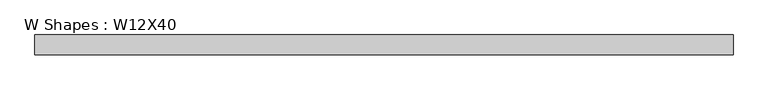
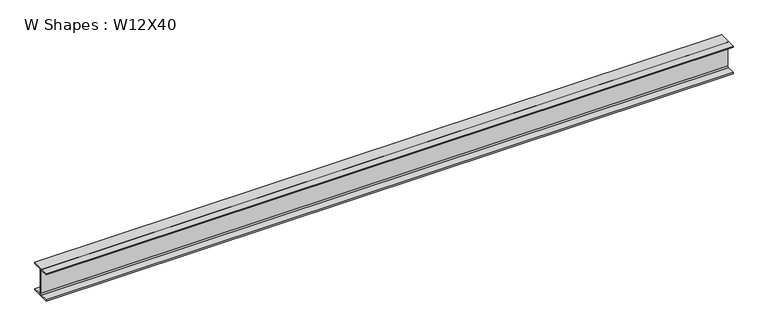
"""IFC4 building model written with IfcOpenShell, lengths in millimetres: beam geometry, W Shapes : W12X40."""

from ifc_helpers import new_model, si_unit, point, frame, frame_2d, origin, place, context, project, spatial, polyline, circle_curve, trimmed, segment, composite_curve, outline, extrude, source, transform, mapped, element, save


def w_shapes_w12x40_73706c52(model_context):
    return source(origin(), model_context, "Body", "SweptSolid", [
        extrude(outline(composite_curve([segment(polyline([(101.727, -138.049), (101.727, -151.13), (-101.727, -151.13), (-101.727, -138.049), (-16.5735, -138.049)]), True, "CONTINUOUS"), segment(trimmed(circle_curve(frame_2d((-16.5735, -125.222)), 12.827), [point((-16.5735, -138.049))], [point((-3.7465, -125.222))], True, "CARTESIAN"), True, "CONTINUOUS"), segment(polyline([(-3.7465, -125.222), (-3.7465, 125.222)]), True, "CONTINUOUS"), segment(trimmed(circle_curve(frame_2d((-16.5735, 125.222)), 12.827), [point((-3.7465, 125.222))], [point((-16.5735, 138.049))], True, "CARTESIAN"), True, "CONTINUOUS"), segment(polyline([(-16.5735, 138.049), (-101.727, 138.049), (-101.727, 151.13), (101.727, 151.13), (101.727, 138.049), (16.5735, 138.049)]), True, "CONTINUOUS"), segment(trimmed(circle_curve(frame_2d((16.5735, 125.222)), 12.827), [point((16.5735, 138.049))], [point((3.7465, 125.222))], True, "CARTESIAN"), True, "CONTINUOUS"), segment(polyline([(3.7465, 125.222), (3.7465, -125.222)]), True, "CONTINUOUS"), segment(trimmed(circle_curve(frame_2d((16.5735, -125.222)), 12.827), [point((3.7465, -125.222))], [point((16.5735, -138.049))], True, "CARTESIAN"), True, "CONTINUOUS"), segment(polyline([(16.5735, -138.049), (101.727, -138.049)]), True, "CONTINUOUS")], self_intersect=False)), frame((-3530.5999994, 0.0, 0.0), z_axis=(1.0, 0.0, 0.0), x_axis=(0.0, 1.0, 0.0)), (0.0, 0.0, 1.0), 7146.3296869),
    ])


if __name__ == "__main__":
    model = new_model("IFC4")
    model_context = context("Model", 3, world=origin())
    ifc_project = project(units=[si_unit("LENGTHUNIT", "METRE", prefix="MILLI")], contexts=[model_context])
    site = spatial("IfcSite", under=ifc_project)
    building = spatial("IfcBuilding", under=site)
    placement = place(None, origin())
    w_shapes_w12x40_shape = w_shapes_w12x40_73706c52(model_context)
    element("IfcBeam", 1, ObjectType="W Shapes : W12X40", at=placement, inside=building, context=model_context, shape_type="MappedRepresentation", body=[
        mapped(w_shapes_w12x40_shape, transform((0.0, 0.0, 0.0), x_axis=(1.0, 0.0, 0.0), y_axis=(0.0, 1.0, 0.0), z_axis=(0.0, 0.0, 1.0))),
    ])
    save(model, "model.ifc")
